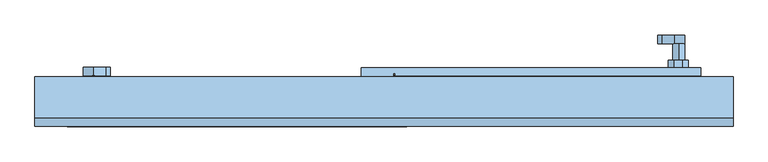
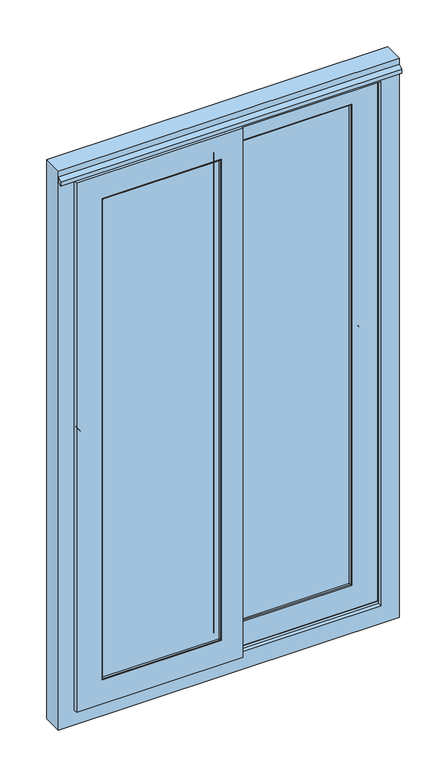
"""IFC4 building model written with IfcOpenShell, lengths in millimetres: window geometry."""

from ifc_helpers import new_model, si_unit, point, frame, frame_2d, origin, place, context, project, spatial, polyline, circle_curve, ellipse_curve, trimmed, segment, composite_curve, outline, extrude, faceted_brep, source, transform, mapped, element, save
from ifc_brep_helpers import plane_surface, cylinder_surface, advanced_brep


def window_b4aafb1f(model_context):
    return source(origin(), model_context, "Body", "SolidModel", [
        extrude(outline(composite_curve([segment(trimmed(circle_curve(frame_2d((1720.5590638, -483.1689366)), 8.1203216), [point((1720.5590638, -491.2892583))], [point((1712.4387422, -483.1689366))], False, "CARTESIAN"), True, "CONTINUOUS"), segment(polyline([(1712.4387422, -483.1689366), (1712.4387422, -478.7980888)]), True, "CONTINUOUS"), segment(trimmed(circle_curve(frame_2d((1720.5590638, -478.7980888)), 8.1203216), [point((1712.4387422, -478.7980888))], [point((1720.5590638, -470.6777671))], False, "CARTESIAN"), True, "CONTINUOUS"), segment(polyline([(1720.5590638, -470.6777671), (1816.0601001, -470.6777671)]), True, "CONTINUOUS"), segment(trimmed(circle_curve(frame_2d((1816.0601001, -494.6777671)), 24.0), [point((1816.0601001, -470.6777671))], [point((1833.8176817, -478.5325419))], False, "CARTESIAN"), True, "CONTINUOUS"), segment(polyline([(1833.8176817, -478.5325419), (1852.8118762, -499.4236075)]), True, "CONTINUOUS"), segment(trimmed(circle_curve(frame_2d((1845.186663, -506.3564651)), 10.3057456), [point((1852.8118762, -499.4236075))], [point((1837.5614497, -513.2893228))], False, "CARTESIAN"), True, "CONTINUOUS"), segment(polyline([(1837.5614497, -513.2893228), (1821.1297391, -495.2166457)]), True, "CONTINUOUS"), segment(trimmed(circle_curve(frame_2d((1812.2509483, -503.2892583)), 12.0), [point((1821.1297391, -495.2166457))], [point((1812.2509483, -491.2892583))], True, "CARTESIAN"), True, "CONTINUOUS"), segment(polyline([(1812.2509483, -491.2892583), (1720.5590638, -491.2892583)]), True, "CONTINUOUS")], self_intersect=False)), frame((0.0, 176.7498063, 0.0), z_axis=(0.0, 1.0, 0.0), x_axis=(0.0, 0.0, 1.0)), (0.0, 0.0, 1.0), 15.0),
        extrude(outline(composite_curve([segment(trimmed(circle_curve(frame_2d((1845.186663, -505.3441861)), 10.3057456), [point((1855.4924085, -505.3441861))], [point((1834.8809174, -505.3441861))], False, "CARTESIAN"), True, "CONTINUOUS"), segment(trimmed(circle_curve(frame_2d((1845.186663, -505.3441861)), 10.3057456), [point((1834.8809174, -505.3441861))], [point((1855.4924085, -505.3441861))], False, "CARTESIAN"), True, "CONTINUOUS")], self_intersect=False)), frame((0.0, 148.9998063, 0.0), z_axis=(0.0, 1.0, 0.0), x_axis=(0.0, 0.0, 1.0)), (0.0, 0.0, 1.0), 27.75),
        extrude(outline(composite_curve([segment(polyline([(1890.7749123, -522.8503256), (1791.0357249, -522.8503256)]), True, "CONTINUOUS"), segment(trimmed(circle_curve(frame_2d((1791.0357249, -511.6848834)), 11.1654422), [point((1791.0357249, -522.8503256))], [point((1779.9543445, -513.0524027))], False, "CARTESIAN"), True, "CONTINUOUS"), segment(trimmed(circle_curve(frame_2d((1838.3181202, -505.8499075)), 58.8065154), [point((1779.9543445, -513.0524027))], [point((1779.9542171, -498.6484446))], False, "CARTESIAN"), True, "CONTINUOUS"), segment(trimmed(circle_curve(frame_2d((1791.0356217, -500.0157679)), 11.1654422), [point((1779.9542171, -498.6484446))], [point((1791.0356217, -488.8503256))], False, "CARTESIAN"), True, "CONTINUOUS"), segment(polyline([(1791.0356217, -488.8503256), (1890.7748036, -488.8503256)]), True, "CONTINUOUS"), segment(trimmed(circle_curve(frame_2d((1890.7748036, -500.0157679)), 11.1654422), [point((1890.7748036, -488.8503256))], [point((1901.8561833, -498.6482428))], False, "CARTESIAN"), True, "CONTINUOUS"), segment(trimmed(circle_curve(frame_2d((1843.4924309, -505.8507662)), 58.8064957), [point((1901.8561833, -498.6482428))], [point((1901.8563175, -513.052202))], False, "CARTESIAN"), True, "CONTINUOUS"), segment(trimmed(circle_curve(frame_2d((1890.7749123, -511.6848834)), 11.1654422), [point((1901.8563175, -513.052202))], [point((1890.7749123, -522.8503256))], False, "CARTESIAN"), True, "CONTINUOUS")], self_intersect=False)), frame((0.0, 135.4998063, 0.0), z_axis=(0.0, 1.0, 0.0), x_axis=(0.0, 0.0, 1.0)), (0.0, 0.0, 1.0), 13.5),
        extrude(outline(composite_curve([segment(polyline([(1725.2837421, -474.9036109), (1736.903582, -474.9036109), (1736.903582, -486.9960678), (1724.9206616, -486.9960678), (1724.9206616, -480.5040328), (1730.071547, -480.5040328), (1725.0457321, -475.4782179)]), True, "CONTINUOUS"), segment(trimmed(circle_curve(frame_2d((1725.2837421, -475.2402079)), 0.336597), [point((1725.0457321, -475.4782179))], [point((1725.2837421, -474.9036109))], False, "CARTESIAN"), True, "CONTINUOUS")], self_intersect=False)), frame((0.0, 191.2498063, 0.0), z_axis=(0.0, 1.0, 0.0), x_axis=(0.0, 0.0, 1.0)), (0.0, 0.0, 1.0), 0.8),
        extrude(outline(composite_curve([segment(trimmed(circle_curve(frame_2d((1845.186663, 506.3564651)), 10.3057456), [point((1855.4924085, 506.3564651))], [point((1834.8809174, 506.3564651))], False, "CARTESIAN"), True, "CONTINUOUS"), segment(trimmed(circle_curve(frame_2d((1845.186663, 506.3564651)), 10.3057456), [point((1834.8809174, 506.3564651))], [point((1855.4924085, 506.3564651))], False, "CARTESIAN"), True, "CONTINUOUS")], self_intersect=False)), frame((0.0, 203.9998063, 0.0), z_axis=(0.0, 1.0, 0.0), x_axis=(0.0, 0.0, 1.0)), (0.0, 0.0, 1.0), 27.75),
        extrude(outline(composite_curve([segment(polyline([(1720.5590638, 491.2892583), (1812.2509483, 491.2892583)]), True, "CONTINUOUS"), segment(trimmed(circle_curve(frame_2d((1812.2509483, 503.2892583)), 12.0), [point((1812.2509483, 491.2892583))], [point((1821.1297391, 495.2166457))], True, "CARTESIAN"), True, "CONTINUOUS"), segment(polyline([(1821.1297391, 495.2166457), (1837.5614497, 513.2893228)]), True, "CONTINUOUS"), segment(trimmed(circle_curve(frame_2d((1845.186663, 506.3564651)), 10.3057456), [point((1837.5614497, 513.2893228))], [point((1852.8118762, 499.4236075))], False, "CARTESIAN"), True, "CONTINUOUS"), segment(polyline([(1852.8118762, 499.4236075), (1833.8176817, 478.5325419)]), True, "CONTINUOUS"), segment(trimmed(circle_curve(frame_2d((1816.0601001, 494.6777671)), 24.0), [point((1833.8176817, 478.5325419))], [point((1816.0601001, 470.6777671))], False, "CARTESIAN"), True, "CONTINUOUS"), segment(polyline([(1816.0601001, 470.6777671), (1720.5590638, 470.6777671)]), True, "CONTINUOUS"), segment(trimmed(circle_curve(frame_2d((1720.5590638, 478.7980888)), 8.1203216), [point((1720.5590638, 470.6777671))], [point((1712.4387422, 478.7980888))], False, "CARTESIAN"), True, "CONTINUOUS"), segment(polyline([(1712.4387422, 478.7980888), (1712.4387422, 483.1689366)]), True, "CONTINUOUS"), segment(trimmed(circle_curve(frame_2d((1720.5590638, 483.1689366)), 8.1203216), [point((1712.4387422, 483.1689366))], [point((1720.5590638, 491.2892583))], False, "CARTESIAN"), True, "CONTINUOUS")], self_intersect=False)), frame((0.0, 231.7498063, 0.0), z_axis=(0.0, 1.0, 0.0), x_axis=(0.0, 0.0, 1.0)), (0.0, 0.0, 1.0), 15.0),
        extrude(outline(composite_curve([segment(polyline([(1890.7749123, 488.8503256), (1791.0357249, 488.8503256)]), True, "CONTINUOUS"), segment(trimmed(circle_curve(frame_2d((1791.0357249, 500.0157679)), 11.1654422), [point((1791.0357249, 488.8503256))], [point((1779.9543445, 498.6482486))], False, "CARTESIAN"), True, "CONTINUOUS"), segment(trimmed(circle_curve(frame_2d((1838.3181202, 505.8507438)), 58.8065154), [point((1779.9543445, 498.6482486))], [point((1779.9542171, 513.0522067))], False, "CARTESIAN"), True, "CONTINUOUS"), segment(trimmed(circle_curve(frame_2d((1791.0356217, 511.6848834)), 11.1654422), [point((1779.9542171, 513.0522067))], [point((1791.0356217, 522.8503256))], False, "CARTESIAN"), True, "CONTINUOUS"), segment(polyline([(1791.0356217, 522.8503256), (1890.7748036, 522.8503256)]), True, "CONTINUOUS"), segment(trimmed(circle_curve(frame_2d((1890.7748036, 511.6848834)), 11.1654422), [point((1890.7748036, 522.8503256))], [point((1901.8561833, 513.0524085))], False, "CARTESIAN"), True, "CONTINUOUS"), segment(trimmed(circle_curve(frame_2d((1843.4924309, 505.8498851)), 58.8064957), [point((1901.8561833, 513.0524085))], [point((1901.8563175, 498.6484493))], False, "CARTESIAN"), True, "CONTINUOUS"), segment(trimmed(circle_curve(frame_2d((1890.7749123, 500.0157679)), 11.1654422), [point((1901.8563175, 498.6484493))], [point((1890.7749123, 488.8503256))], False, "CARTESIAN"), True, "CONTINUOUS")], self_intersect=False)), frame((0.0, 190.4998063, 0.0), z_axis=(0.0, 1.0, 0.0), x_axis=(0.0, 0.0, 1.0)), (0.0, 0.0, 1.0), 13.5),
        extrude(outline(composite_curve([segment(polyline([(1725.2837421, 486.9960678), (1736.903582, 486.9960678), (1736.903582, 474.9036109), (1724.9206616, 474.9036109), (1724.9206616, 481.3956459), (1730.071547, 481.3956459), (1725.0457321, 486.4214608)]), True, "CONTINUOUS"), segment(trimmed(circle_curve(frame_2d((1725.2837421, 486.6594708)), 0.336597), [point((1725.0457321, 486.4214608))], [point((1725.2837421, 486.9960678))], False, "CARTESIAN"), True, "CONTINUOUS")], self_intersect=False)), frame((0.0, 246.2498063, 0.0), z_axis=(0.0, 1.0, 0.0), x_axis=(0.0, 0.0, 1.0)), (0.0, 0.0, 1.0), 0.8),
        advanced_brep(
        [(19.1010245, 158.0001937, 856.0000985), (19.1010245, 151.4978698, 856.0000985), (19.1010245, 151.4978698, 926.0000985), (19.1010245, 181.4998063, 926.0000985), (19.1010245, 181.4978698, 856.0000985), (19.1010245, 177.0001937, 856.0000985), (19.1010245, 177.0001937, 890.7523289), (19.1010245, 158.0001937, 890.7523289), (19.1010245, 158.0001937, 2823.9999015), (543.9999015, 158.0001937, 2823.9999015), (543.9999015, 158.0001937, 856.0000985), (509.2476711, 158.0001937, 890.7523289), (509.2476711, 158.0001937, 2789.2476711), (19.1010245, 158.0001937, 2789.2476711), (509.2476711, 177.0001937, 890.7523289), (19.1010245, 177.0001937, 2789.2476711), (509.2476711, 177.0001937, 2789.2476711), (543.9999015, 177.0001937, 856.0000985), (543.9999015, 177.0001937, 2823.9999015), (19.1010245, 177.0001937, 2823.9999015), (543.9999015, 190.4998063, 856.0000985), (16.1010245, 181.4978698, 856.0000985), (16.1010245, 151.4978698, 856.0000985), (543.9999015, 144.4998063, 856.0000985), (-2.1146471, 144.4998063, 856.0000985), (-2.1146471, 137.4998063, 856.0000985), (-8.61807, 137.4998063, 856.0000985), (-11.6381787, 141.0990318, 856.0000985), (-39.1010245, 141.0990318, 856.0000985), (-39.1010245, 190.4998063, 856.0000985), (19.1010245, 181.4998063, 2753.9999015), (19.1010245, 181.4998063, 2823.9999015), (16.1010245, 181.4998063, 2823.9999015), (473.9999015, 181.4998063, 926.0000985), (473.9999015, 181.4998063, 2753.9999015), (470.9999015, 181.4998063, 2750.9999015), (470.9999015, 181.4998063, 929.0000985), (19.1010245, 181.4998063, 929.0000985), (19.1010245, 181.4998063, 2750.9999015), (473.9999015, 151.4998063, 926.0000985), (19.1010245, 151.4998063, 2753.9999015), (473.9999015, 151.4998063, 2753.9999015), (16.1010245, 151.4998063, 2823.9999015), (19.1010245, 151.4998063, 2823.9999015), (450.9999015, 151.4998063, 2730.9999015), (39.101481, 151.4998063, 2730.9999015), (39.101481, 151.4998063, 949.0000985), (450.9999015, 151.4998063, 949.0000985), (452.1052009, 146.8114198, 947.8947991), (452.1052009, 146.8114198, 2732.1052009), (37.9961816, 146.8114198, 947.8947991), (37.9961816, 146.8114198, 2732.1052009), (19.1010245, 190.4998063, 2750.9999015), (19.1010245, 190.4998063, 929.0000985), (470.9999015, 190.4998063, 929.0000985), (470.9999015, 190.4998063, 2750.9999015), (-39.1010245, 190.4998063, 2823.9999015), (543.9999015, 190.4998063, 2823.9999015), (-39.1010245, 141.0990318, 2823.9999015), (543.9999015, 144.4998063, 2823.9999015), (-2.1146471, 144.4998063, 2823.9999015), (455.0251536, 144.4998063, 2735.0251536), (455.0251536, 144.4998063, 944.9748464), (35.0762288, 144.4998063, 944.9748464), (35.0762288, 144.4998063, 2735.0251536), (-2.1146471, 137.4998063, 2823.9999015), (-11.6381787, 141.0990318, 2823.9999015), (-8.61807, 137.4998063, 2823.9999015)],
        [
            (0, 1),
            (1, 2),
            (2, 3),
            (3, 4),
            (4, 5),
            (5, 6),
            (6, 7),
            (7, 0),
            (8, 9),
            (9, 10),
            (10, 0),
            (7, 11),
            (11, 12),
            (12, 13),
            (13, 8),
            (6, 14),
            (14, 11),
            (15, 16),
            (16, 14),
            (5, 17),
            (17, 18),
            (18, 19),
            (19, 15),
            (20, 17),
            (4, 21),
            (21, 22),
            (22, 1),
            (10, 23),
            (23, 24),
            (24, 25),
            (25, 26),
            (26, 27),
            (27, 28),
            (28, 29),
            (29, 20),
            (30, 31),
            (31, 32),
            (32, 21),
            (3, 33),
            (33, 34),
            (34, 30),
            (35, 36),
            (36, 37),
            (37, 38),
            (38, 35),
            (39, 33),
            (2, 39),
            (40, 41),
            (41, 39),
            (22, 42),
            (42, 43),
            (43, 40),
            (44, 45),
            (45, 46),
            (46, 47),
            (47, 44),
            (47, 48),
            (48, 49),
            (49, 44),
            (46, 50),
            (50, 48),
            (45, 51),
            (51, 50),
            (32, 42),
            (41, 34),
            (52, 38),
            (37, 53),
            (53, 52),
            (36, 54),
            (54, 53),
            (35, 55),
            (55, 54),
            (56, 57),
            (57, 20),
            (29, 56),
            (55, 52),
            (28, 58),
            (58, 56),
            (57, 18),
            (16, 12),
            (9, 59),
            (59, 23),
            (60, 24),
            (59, 60),
            (61, 62),
            (62, 63),
            (63, 64),
            (64, 61),
            (65, 25),
            (60, 65),
            (51, 64, ellipse_curve(frame((35.0762288, 147.4998063, 2735.0251536), z_axis=(-0.7071067811865475, 0.0, -0.7071067811865475), x_axis=(-0.7071067811865474, 0.0, 0.7071067811865476)), 4.2426407, 3.0)),
            (63, 50, ellipse_curve(frame((35.0762288, 147.4998063, 944.9748464), z_axis=(-0.7071067811865475, 0.0, 0.7071067811865475), x_axis=(0.7071067811865474, 0.0, 0.7071067811865476)), 4.2426407, 3.0)),
            (62, 48, ellipse_curve(frame((455.0251536, 147.4998063, 944.9748464), z_axis=(-0.7071067811865475, 0.0, -0.7071067811865475), x_axis=(0.7071067811865476, 0.0, -0.7071067811865474)), 4.2426407, 3.0)),
            (61, 49, ellipse_curve(frame((455.0251536, 147.4998063, 2735.0251536), z_axis=(0.7071067811865475, 0.0, -0.7071067811865475), x_axis=(0.7071067811865474, 0.0, 0.7071067811865476)), 4.2426407, 3.0)),
            (27, 66),
            (66, 58),
            (26, 67),
            (67, 66),
            (65, 67),
            (43, 8),
            (13, 15),
            (19, 31),
            (30, 40),
            (49, 51),
        ],
        [
            plane_surface(frame((19.1010245, 105.0, 800.0), z_axis=(-1.0, 0.0, 0.0), x_axis=(0.0, -1.0, 0.0))),
            plane_surface(frame((19.1010245, 158.0001937, 2789.2476711), z_axis=(0.0, 1.0, 0.0), x_axis=(1.0, 0.0, 0.0))),
            plane_surface(frame((509.2476711, 177.0001937, 890.7523289), z_axis=(0.0, 0.0, -1.0), x_axis=(-1.0, 0.0, 0.0))),
            plane_surface(frame((19.1010245, 177.0001937, 2823.9999015), z_axis=(0.0, -1.0, 0.0), x_axis=(1.0, 0.0, 0.0))),
            plane_surface(frame((543.9999015, 190.4998063, 856.0000985), z_axis=(0.0, 0.0, -1.0), x_axis=(-1.0, 0.0, 0.0))),
            plane_surface(frame((19.1010245, 181.4998063, 2753.9999015), z_axis=(0.0, -1.0, 0.0), x_axis=(1.0, 0.0, 0.0))),
            plane_surface(frame((473.9999015, 151.4998063, 926.0000985), z_axis=(0.0, 0.0, 1.0), x_axis=(-1.0, 0.0, 0.0))),
            plane_surface(frame((19.1010245, 151.4998063, 2730.9999015), z_axis=(0.0, 1.0, 0.0), x_axis=(1.0, 0.0, 0.0))),
            plane_surface(frame((452.1052009, 146.8114198, 2732.1052009), z_axis=(-0.9733175797962543, -0.2294621730472412, 0.0), x_axis=(0.0, 0.0, -1.0))),
            plane_surface(frame((452.1052009, 146.8114198, 947.8947991), z_axis=(0.0, -0.22946217304723807, 0.9733175797962551), x_axis=(-1.0, 0.0, 0.0))),
            plane_surface(frame((39.1010245, 151.4978698, 2823.9999015), z_axis=(0.9733175797962278, -0.22946217304735375, 0.0), x_axis=(0.0, 0.0, -1.0))),
            plane_surface(frame((16.1010245, 181.4978698, 2823.9999015), z_axis=(1.0, 0.0, 0.0), x_axis=(0.0, 0.0, -1.0))),
            plane_surface(frame((473.9999015, 151.4998063, 2753.9999015), z_axis=(-1.0, 0.0, 0.0), x_axis=(0.0, 0.0, -1.0))),
            plane_surface(frame((19.1010245, 190.4998063, 2823.9999015), z_axis=(1.0, 0.0, 0.0), x_axis=(0.0, 0.0, -1.0))),
            plane_surface(frame((470.9999015, 181.4998063, 929.0000985), z_axis=(0.0, 0.0, 1.0), x_axis=(-1.0, 0.0, 0.0))),
            plane_surface(frame((470.9999015, 181.4998063, 2750.9999015), z_axis=(-1.0, 0.0, 0.0), x_axis=(0.0, 0.0, -1.0))),
            plane_surface(frame((19.1010245, 190.4998063, 2750.9999015), z_axis=(0.0, 1.0, 0.0), x_axis=(1.0, 0.0, 0.0))),
            plane_surface(frame((-39.1010245, 141.0990318, 2823.9999015), z_axis=(-1.0, 0.0, 0.0), x_axis=(0.0, 0.0, -1.0))),
            plane_surface(frame((543.9999015, 190.4998063, 2823.9999015), z_axis=(1.0, 0.0, 0.0), x_axis=(0.0, 0.0, -1.0))),
            plane_surface(frame((509.2476711, 177.0001937, 2789.2476711), z_axis=(1.0, 0.0, 0.0), x_axis=(0.0, 0.0, -1.0))),
            plane_surface(frame((543.9999015, 158.0001937, 2823.9999015), z_axis=(1.0, 0.0, 0.0), x_axis=(0.0, 0.0, -1.0))),
            plane_surface(frame((19.1010245, 144.4998063, 2823.9999015), z_axis=(0.0, -1.0, 0.0), x_axis=(1.0, 0.0, 0.0))),
            plane_surface(frame((-2.1146471, 144.4998063, 2823.9999015), z_axis=(1.0, 0.0, 0.0), x_axis=(0.0, 0.0, -1.0))),
            cylinder_surface(frame((35.0762288, 147.4998063, 2823.9999015), z_axis=(0.0, 0.0, 1.0), x_axis=(0.0, -1.0, 0.0)), 3.0),
            cylinder_surface(frame((600.0, 147.4998063, 944.9748464), z_axis=(1.0, 0.0, 0.0), x_axis=(0.0, -1.0, 0.0)), 3.0),
            cylinder_surface(frame((455.0251536, 147.4998063, 2880.0), z_axis=(0.0, 0.0, 1.0), x_axis=(0.0, -1.0, 0.0)), 3.0),
            plane_surface(frame((-11.6381787, 141.0990318, 2823.9999015), z_axis=(0.0, -1.0, 0.0), x_axis=(0.0, 0.0, -1.0))),
            plane_surface(frame((-8.61807, 137.4998063, 2823.9999015), z_axis=(-0.7660444431189933, -0.6427876096865212, 0.0), x_axis=(0.0, 0.0, -1.0))),
            plane_surface(frame((-2.1146471, 137.4998063, 2823.9999015), z_axis=(0.0, -1.0, 0.0), x_axis=(0.0, 0.0, -1.0))),
            plane_surface(frame((19.1010245, 105.0, 2880.0), z_axis=(-1.0, 0.0, 0.0), x_axis=(0.0, -1.0, 0.0))),
            plane_surface(frame((19.1010245, 151.4998063, 2753.9999015), z_axis=(0.0, 0.0, -1.0), x_axis=(1.0, 0.0, 0.0))),
            plane_surface(frame((19.1010245, 181.4998063, 2750.9999015), z_axis=(0.0, 0.0, -1.0), x_axis=(1.0, 0.0, 0.0))),
            plane_surface(frame((19.1010245, 190.4998063, 2823.9999015), z_axis=(0.0, 0.0, 1.0), x_axis=(1.0, 0.0, 0.0))),
            plane_surface(frame((19.1010245, 177.0001937, 2789.2476711), z_axis=(0.0, 0.0, 1.0), x_axis=(1.0, 0.0, 0.0))),
            plane_surface(frame((19.1010245, 146.8114198, 2732.1052009), z_axis=(0.0, -0.22946217304723807, -0.9733175797962551), x_axis=(1.0, 0.0, 0.0))),
            cylinder_surface(frame((19.1010245, 147.4998063, 2735.0251536), z_axis=(-1.0, 0.0, 0.0), x_axis=(0.0, -1.0, 0.0)), 3.0),
        ],
        [
            (0, [[1, 2, 3, 4, 5, 6, 7, 8]]),
            (1, [[9, 10, 11, -8, 12, 13, 14, 15]]),
            (2, [[16, 17, -12, -7]]),
            (3, [[18, 19, -16, -6, 20, 21, 22, 23]]),
            (4, [[24, -20, -5, 25, 26, 27, -1, -11, 28, 29, 30, 31, 32, 33, 34, 35]]),
            (5, [[36, 37, 38, -25, -4, 39, 40, 41], [42, 43, 44, 45]]),
            (6, [[46, -39, -3, 47]]),
            (7, [[48, 49, -47, -2, -27, 50, 51, 52], [53, 54, 55, 56]]),
            (8, [[57, 58, 59, -56]]),
            (9, [[-55, 60, 61, -57]]),
            (10, [[62, 63, -60, -54]]),
            (11, [[-50, -26, -38, 64]]),
            (12, [[65, -40, -46, -49]]),
            (13, [[66, -44, 67, 68]]),
            (14, [[69, 70, -67, -43]]),
            (15, [[71, 72, -69, -42]]),
            (16, [[73, 74, -35, 75], [-68, -70, -72, 76]]),
            (17, [[-75, -34, 77, 78]]),
            (18, [[79, -21, -24, -74]]),
            (19, [[80, -13, -17, -19]]),
            (20, [[81, 82, -28, -10]]),
            (21, [[83, -29, -82, 84], [85, 86, 87, 88]]),
            (22, [[89, -30, -83, 90]]),
            (23, [[91, -87, 92, -63]]),
            (24, [[-61, -92, -86, 93]]),
            (25, [[94, -58, -93, -85]]),
            (26, [[-77, -33, 95, 96]]),
            (27, [[-95, -32, 97, 98]]),
            (28, [[-97, -31, -89, 99]]),
            (29, [[-52, 100, -15, 101, -23, 102, -36, 103]]),
            (30, [[-41, -65, -48, -103]]),
            (31, [[-66, -76, -71, -45]]),
            (32, [[-78, -96, -98, -99, -90, -84, -81, -9, -100, -51, -64, -37, -102, -22, -79, -73]]),
            (33, [[-14, -80, -18, -101]]),
            (34, [[104, -62, -53, -59]]),
            (35, [[-88, -91, -104, -94]]),
        ],
    ),
        advanced_brep(
        [(-19.1010245, 96.4998063, 926.0000985), (-19.1010245, 96.4998063, 856.0000985), (-19.1010245, 103.0001937, 856.0000985), (-19.1010245, 103.0001937, 890.7523289), (-19.1010245, 122.0001937, 890.7523289), (-19.1010245, 122.0001937, 856.0000985), (-19.1010245, 126.4998063, 856.0000985), (-19.1010245, 126.4998063, 926.0000985), (-473.9999015, 126.4998063, 926.0000985), (-473.9999015, 96.4998063, 926.0000985), (-16.1010245, 126.4998063, 856.0000985), (-16.1010245, 126.4998063, 2823.9999015), (-19.1010245, 126.4998063, 2823.9999015), (-19.1010245, 126.4998063, 2753.9999015), (-473.9999015, 126.4998063, 2753.9999015), (-470.9999015, 126.4998063, 929.0000985), (-470.9999015, 126.4998063, 2750.9999015), (-19.1010245, 126.4998063, 2750.9999015), (-19.1010245, 126.4998063, 929.0000985), (2.1146471, 135.4998063, 856.0000985), (2.1146471, 142.4998063, 856.0000985), (8.61807, 142.4998063, 856.0000985), (11.6381787, 138.9005809, 856.0000985), (39.1010245, 138.9005809, 856.0000985), (39.1010245, 89.4998063, 856.0000985), (-543.9999015, 89.4998063, 856.0000985), (-543.9999015, 103.0001937, 856.0000985), (-16.1010245, 96.4998063, 856.0000985), (-543.9999015, 122.0001937, 856.0000985), (-543.9999015, 135.4998063, 856.0000985), (-509.2476711, 122.0001937, 890.7523289), (-509.2476711, 122.0001937, 2789.2476711), (-19.1010245, 122.0001937, 2789.2476711), (-19.1010245, 122.0001937, 2823.9999015), (-543.9999015, 122.0001937, 2823.9999015), (-509.2476711, 103.0001937, 890.7523289), (-543.9999015, 103.0001937, 2823.9999015), (-19.1010245, 103.0001937, 2823.9999015), (-19.1010245, 103.0001937, 2789.2476711), (-509.2476711, 103.0001937, 2789.2476711), (-473.9999015, 96.4998063, 2753.9999015), (-19.1010245, 96.4998063, 2753.9999015), (-19.1010245, 96.4998063, 2823.9999015), (-16.1010245, 96.4998063, 2823.9999015), (-450.9999015, 96.4998063, 949.0000985), (-39.1010245, 96.4998063, 949.0000985), (-39.1010245, 96.4998063, 2730.9999015), (-450.9999015, 96.4998063, 2730.9999015), (-452.1040493, 91.8163045, 2732.1040493), (-452.1040493, 91.8163045, 947.8959507), (-37.9968766, 91.8163045, 947.8959507), (-37.9968766, 91.8163045, 2732.1040493), (-19.1010245, 135.4998063, 929.0000985), (-470.9999015, 135.4998063, 929.0000985), (-19.1010245, 135.4998063, 2750.9999015), (-470.9999015, 135.4998063, 2750.9999015), (-543.9999015, 135.4998063, 2823.9999015), (2.1146471, 135.4998063, 2823.9999015), (2.1146471, 142.4998063, 2823.9999015), (-543.9999015, 89.4998063, 2823.9999015), (39.1010245, 89.4998063, 2823.9999015), (-455.0301722, 89.4998063, 944.9698278), (-455.0301722, 89.4998063, 2735.0301722), (-35.0707537, 89.4998063, 2735.0301722), (-35.0707537, 89.4998063, 944.9698278), (39.1010245, 138.9005809, 2823.9999015), (11.6381787, 138.9005809, 2823.9999015), (8.61807, 142.4998063, 2823.9999015)],
        [
            (0, 1),
            (1, 2),
            (2, 3),
            (3, 4),
            (4, 5),
            (5, 6),
            (6, 7),
            (7, 0),
            (7, 8),
            (8, 9),
            (9, 0),
            (6, 10),
            (10, 11),
            (11, 12),
            (12, 13),
            (13, 14),
            (14, 8),
            (15, 16),
            (16, 17),
            (17, 18),
            (18, 15),
            (19, 20),
            (20, 21),
            (21, 22),
            (22, 23),
            (23, 24),
            (24, 25),
            (25, 26),
            (26, 2),
            (1, 27),
            (27, 10),
            (5, 28),
            (28, 29),
            (29, 19),
            (4, 30),
            (30, 31),
            (31, 32),
            (32, 33),
            (33, 34),
            (34, 28),
            (3, 35),
            (35, 30),
            (26, 36),
            (36, 37),
            (37, 38),
            (38, 39),
            (39, 35),
            (9, 40),
            (40, 41),
            (41, 42),
            (42, 43),
            (43, 27),
            (44, 45),
            (45, 46),
            (46, 47),
            (47, 44),
            (47, 48),
            (48, 49),
            (49, 44),
            (45, 50),
            (50, 51),
            (51, 46),
            (49, 50),
            (43, 11),
            (14, 40),
            (18, 52),
            (52, 53),
            (53, 15),
            (17, 54),
            (54, 52),
            (53, 55),
            (55, 16),
            (29, 56),
            (56, 57),
            (57, 19),
            (54, 55),
            (57, 58),
            (58, 20),
            (34, 56),
            (25, 59),
            (59, 36),
            (24, 60),
            (60, 59),
            (61, 62),
            (62, 63),
            (63, 64),
            (64, 61),
            (23, 65),
            (65, 60),
            (22, 66),
            (66, 65),
            (21, 67),
            (67, 66),
            (58, 67),
            (39, 31),
            (64, 50, ellipse_curve(frame((-35.0707537, 92.5061456, 944.9698278), z_axis=(-0.7071067811865475, 0.0, -0.7071067811865475), x_axis=(0.7071067811865476, 0.0, -0.7071067811865474)), 4.2516058, 3.0063393)),
            (49, 61, ellipse_curve(frame((-455.0301722, 92.5061456, 944.9698278), z_axis=(0.7071067811865475, 0.0, -0.7071067811865475), x_axis=(0.7071067811865476, 0.0, 0.7071067811865474)), 4.2516058, 3.0063393)),
            (63, 51, ellipse_curve(frame((-35.0707537, 92.5061456, 2735.0301722), z_axis=(0.7071067811865475, 0.0, -0.7071067811865475), x_axis=(-0.7071067811865474, 0.0, -0.7071067811865476)), 4.2516058, 3.0063393)),
            (48, 62, ellipse_curve(frame((-455.0301722, 92.5061456, 2735.0301722), z_axis=(-0.7071067811865475, 0.0, -0.7071067811865475), x_axis=(0.7071067811865474, 0.0, -0.7071067811865476)), 4.2516058, 3.0063393)),
            (37, 42),
            (41, 13),
            (12, 33),
            (32, 38),
            (51, 48),
        ],
        [
            plane_surface(frame((-19.1010245, 105.0, 800.0), z_axis=(1.0, 0.0, 0.0), x_axis=(0.0, -1.0, 0.0))),
            plane_surface(frame((-19.1010245, 96.4998063, 926.0000985), z_axis=(0.0, 0.0, 1.0), x_axis=(-1.0, 0.0, 0.0))),
            plane_surface(frame((-19.1010245, 126.4998063, 926.0000985), z_axis=(0.0, -1.0, 0.0), x_axis=(-1.0, 0.0, 0.0))),
            plane_surface(frame((-19.1010245, 135.4998063, 856.0000985), z_axis=(0.0, 0.0, -1.0), x_axis=(-1.0, 0.0, 0.0))),
            plane_surface(frame((-19.1010245, 122.0001937, 856.0000985), z_axis=(0.0, -1.0, 0.0), x_axis=(-1.0, 0.0, 0.0))),
            plane_surface(frame((-19.1010245, 122.0001937, 890.7523289), z_axis=(0.0, 0.0, -1.0), x_axis=(-1.0, 0.0, 0.0))),
            plane_surface(frame((-19.1010245, 103.0001937, 890.7523289), z_axis=(0.0, 1.0, 0.0), x_axis=(-1.0, 0.0, 0.0))),
            plane_surface(frame((-19.1010245, 96.4998063, 949.0000985), z_axis=(0.0, 1.0, 0.0), x_axis=(-1.0, 0.0, 0.0))),
            plane_surface(frame((-452.1040493, 91.8163045, 947.8959507), z_axis=(0.9733175797962553, -0.22946217304723712, 0.0), x_axis=(0.0, 0.0, 1.0))),
            plane_surface(frame((-39.1010245, 96.4998063, 856.0000985), z_axis=(-0.9733175797962387, -0.22946217304730768, 0.0), x_axis=(0.0, 0.0, 1.0))),
            plane_surface(frame((-19.1010245, 91.8163045, 947.8959507), z_axis=(0.0, -0.22946217304724026, 0.9733175797962546), x_axis=(-1.0, 0.0, 0.0))),
            plane_surface(frame((-16.1010245, 126.4998063, 856.0000985), z_axis=(-1.0, 0.0, 0.0), x_axis=(0.0, 0.0, 1.0))),
            plane_surface(frame((-473.9999015, 96.4998063, 926.0000985), z_axis=(1.0, 0.0, 0.0), x_axis=(0.0, 0.0, 1.0))),
            plane_surface(frame((-19.1010245, 126.4998063, 929.0000985), z_axis=(0.0, 0.0, 1.0), x_axis=(-1.0, 0.0, 0.0))),
            plane_surface(frame((-19.1010245, 135.4998063, 856.0000985), z_axis=(-1.0, 0.0, 0.0), x_axis=(0.0, 0.0, 1.0))),
            plane_surface(frame((-470.9999015, 126.4998063, 929.0000985), z_axis=(1.0, 0.0, 0.0), x_axis=(0.0, 0.0, 1.0))),
            plane_surface(frame((-19.1010245, 135.4998063, 929.0000985), z_axis=(0.0, 1.0, 0.0), x_axis=(-1.0, 0.0, 0.0))),
            plane_surface(frame((2.1146471, 142.4998063, 856.0000985), z_axis=(-1.0, 0.0, 0.0), x_axis=(0.0, 0.0, 1.0))),
            plane_surface(frame((-543.9999015, 135.4998063, 856.0000985), z_axis=(-1.0, 0.0, 0.0), x_axis=(0.0, 0.0, 1.0))),
            plane_surface(frame((-543.9999015, 103.0001937, 856.0000985), z_axis=(-1.0, 0.0, 0.0), x_axis=(0.0, 0.0, 1.0))),
            plane_surface(frame((-19.1010245, 89.4998063, 856.0000985), z_axis=(0.0, -1.0, 0.0), x_axis=(-1.0, 0.0, 0.0))),
            plane_surface(frame((39.1010245, 89.4998063, 856.0000985), z_axis=(1.0, 0.0, 0.0), x_axis=(0.0, 0.0, 1.0))),
            plane_surface(frame((39.1010245, 138.9005809, 856.0000985), z_axis=(0.0, 1.0, 0.0), x_axis=(0.0, 0.0, 1.0))),
            plane_surface(frame((11.6381787, 138.9005809, 856.0000985), z_axis=(0.766044443118989, 0.6427876096865264, 0.0), x_axis=(0.0, 0.0, 1.0))),
            plane_surface(frame((8.61807, 142.4998063, 856.0000985), z_axis=(0.0, 1.0, 0.0), x_axis=(0.0, 0.0, 1.0))),
            plane_surface(frame((-509.2476711, 122.0001937, 890.7523289), z_axis=(-1.0, 0.0, 0.0), x_axis=(0.0, 0.0, 1.0))),
            cylinder_surface(frame((-19.1010245, 92.5061456, 944.9698278), z_axis=(1.0, 0.0, 0.0), x_axis=(0.0, 0.0, 1.0)), 3.0063393),
            cylinder_surface(frame((-35.0707537, 92.5061456, 856.0000985), z_axis=(0.0, 0.0, -1.0), x_axis=(1.0, 0.0, 0.0)), 3.0063393),
            cylinder_surface(frame((-455.0301722, 92.5061456, 800.0), z_axis=(0.0, 0.0, -1.0), x_axis=(1.0, 0.0, 0.0)), 3.0063393),
            plane_surface(frame((-19.1010245, 105.0, 2880.0), z_axis=(1.0, 0.0, 0.0), x_axis=(0.0, -1.0, 0.0))),
            plane_surface(frame((-473.9999015, 96.4998063, 2753.9999015), z_axis=(0.0, 0.0, -1.0), x_axis=(1.0, 0.0, 0.0))),
            plane_surface(frame((-543.9999015, 135.4998063, 2823.9999015), z_axis=(0.0, 0.0, 1.0), x_axis=(1.0, 0.0, 0.0))),
            plane_surface(frame((-509.2476711, 122.0001937, 2789.2476711), z_axis=(0.0, 0.0, 1.0), x_axis=(1.0, 0.0, 0.0))),
            plane_surface(frame((-452.1040493, 91.8163045, 2732.1040493), z_axis=(0.0, -0.22946217304724026, -0.9733175797962546), x_axis=(1.0, 0.0, 0.0))),
            cylinder_surface(frame((-600.0, 92.5061456, 2735.0301722), z_axis=(-1.0, 0.0, 0.0), x_axis=(0.0, 0.0, -1.0)), 3.0063393),
            plane_surface(frame((-470.9999015, 126.4998063, 2750.9999015), z_axis=(0.0, 0.0, -1.0), x_axis=(1.0, 0.0, 0.0))),
        ],
        [
            (0, [[1, 2, 3, 4, 5, 6, 7, 8]]),
            (1, [[9, 10, 11, -8]]),
            (2, [[-7, 12, 13, 14, 15, 16, 17, -9], [18, 19, 20, 21]]),
            (3, [[22, 23, 24, 25, 26, 27, 28, 29, -2, 30, 31, -12, -6, 32, 33, 34]]),
            (4, [[35, 36, 37, 38, 39, 40, -32, -5]]),
            (5, [[41, 42, -35, -4]]),
            (6, [[-29, 43, 44, 45, 46, 47, -41, -3]]),
            (7, [[-11, 48, 49, 50, 51, 52, -30, -1], [53, 54, 55, 56]]),
            (8, [[57, 58, 59, -56]]),
            (9, [[60, 61, 62, -54]]),
            (10, [[63, -60, -53, -59]]),
            (11, [[-52, 64, -13, -31]]),
            (12, [[-10, -17, 65, -48]]),
            (13, [[66, 67, 68, -21]]),
            (14, [[-66, -20, 69, 70]]),
            (15, [[-68, 71, 72, -18]]),
            (16, [[-34, 73, 74, 75], [-70, 76, -71, -67]]),
            (17, [[-75, 77, 78, -22]]),
            (18, [[-33, -40, 79, -73]]),
            (19, [[-28, 80, 81, -43]]),
            (20, [[82, 83, -80, -27], [84, 85, 86, 87]]),
            (21, [[88, 89, -82, -26]]),
            (22, [[90, 91, -88, -25]]),
            (23, [[92, 93, -90, -24]]),
            (24, [[-78, 94, -92, -23]]),
            (25, [[-42, -47, 95, -36]]),
            (26, [[-87, 96, -63, 97]]),
            (27, [[-96, -86, 98, -61]]),
            (28, [[-97, -58, 99, -84]]),
            (29, [[100, -50, 101, -15, 102, -38, 103, -45]]),
            (30, [[-65, -16, -101, -49]]),
            (31, [[-79, -39, -102, -14, -64, -51, -100, -44, -81, -83, -89, -91, -93, -94, -77, -74]]),
            (32, [[-37, -95, -46, -103]]),
            (33, [[-55, -62, 104, -57]]),
            (34, [[-104, -98, -85, -99]]),
            (35, [[-72, -76, -69, -19]]),
        ],
    ),
        extrude(outline(polyline([(466.9999015, 154.9996236), (23.1010245, 154.9996236), (23.1010245, 158.9996236), (466.9999015, 158.9996236), (466.9999015, 154.9996236)])), frame((0.0, 0.0, 933.0000985), z_axis=(0.0, 0.0, 1.0), x_axis=(1.0, 0.0, 0.0)), (0.0, 0.0, 1.0), 1813.9998029),
        extrude(outline(polyline([(466.9999015, 178.9996236), (466.9999015, 172.9996236), (23.1010245, 172.9996236), (23.1010245, 178.9996236), (466.9999015, 178.9996236)])), frame((0.0, 0.0, 933.0000985), z_axis=(0.0, 0.0, 1.0), x_axis=(1.0, 0.0, 0.0)), (0.0, 0.0, 1.0), 1813.9998029),
        faceted_brep([(466.9999015, 178.9996236, 2746.9999015), (466.9999015, 178.9996236, 933.0000985), (466.9999015, 172.9996236, 933.0000985), (466.9999015, 172.9996236, 2746.9999015), (23.1, 172.9996236, 933.0000985), (23.1, 172.9996236, 2746.9999015), (454.9999015, 172.9996236, 945.0000985), (454.9999015, 172.9996236, 2734.9999015), (35.1, 172.9996236, 2734.9999015), (35.1, 172.9996236, 945.0000985), (23.1, 178.9996236, 933.0000985), (471.9499015, 178.9996236, 2751.9499015), (471.9499015, 178.9996236, 928.0500985), (18.15, 178.9996236, 928.0500985), (18.15, 178.9996236, 2751.9499015), (23.1, 178.9996236, 2746.9999015), (471.9499015, 154.9996236, 2751.9499015), (471.9499015, 154.9996236, 928.0500985), (18.15, 154.9996236, 928.0500985), (18.15, 154.9996236, 2751.9499015), (466.9999015, 154.9996236, 2746.9999015), (466.9999015, 154.9996236, 933.0000985), (23.1, 154.9996236, 933.0000985), (23.1, 154.9996236, 2746.9999015), (454.9999015, 158.9996236, 945.0000985), (454.9999015, 158.9996236, 2734.9999015), (466.9999015, 158.9996236, 933.0000985), (466.9999015, 158.9996236, 2746.9999015), (23.1, 158.9996236, 2746.9999015), (23.1, 158.9996236, 933.0000985), (35.1, 158.9996236, 945.0000985), (35.1, 158.9996236, 2734.9999015)], [[[0, 1, 2, 3]], [[3, 2, 4, 5], [6, 7, 8, 9]], [[1, 10, 4, 2]], [[11, 12, 13, 14], [1, 0, 15, 10]], [[16, 17, 12, 11]], [[17, 18, 13, 12]], [[17, 16, 19, 18], [20, 21, 22, 23]], [[7, 6, 24, 25]], [[26, 27, 28, 29], [25, 24, 30, 31]], [[6, 9, 30, 24]], [[10, 15, 5, 4]], [[18, 19, 14, 13]], [[9, 8, 31, 30]], [[29, 28, 23, 22]], [[26, 29, 22, 21]], [[27, 26, 21, 20]], [[15, 0, 3, 5]], [[19, 16, 11, 14]], [[8, 7, 25, 31]], [[28, 27, 20, 23]]]),
        advanced_brep(
        [(470.998877, 190.5048965, 2750.998877), (470.998877, 190.5048965, 929.001123), (455.3339502, 189.9578652, 944.6660498), (455.3339502, 189.9578652, 2735.3339502), (452.4946815, 187.6454847, 947.5053185), (452.4946815, 187.6454847, 2732.4946815), (19.1010245, 190.5048965, 929.001123), (34.7659512, 189.9578652, 944.6660498), (470.998877, 181.4998063, 2750.998877), (470.998877, 181.4998063, 929.001123), (19.1010245, 181.4998063, 929.001123), (19.1010245, 181.4998063, 2750.998877), (450.998877, 181.4998063, 2730.998877), (450.998877, 181.4998063, 949.001123), (39.1010245, 181.4998063, 949.001123), (39.1010245, 181.4998063, 2730.998877), (37.60522, 187.6454847, 947.5053185), (19.1010245, 190.5048965, 2750.998877), (34.7659512, 189.9578652, 2735.3339502), (37.60522, 187.6454847, 2732.4946815)],
        [
            (0, 1),
            (1, 2),
            (2, 3),
            (3, 0),
            (2, 4, ellipse_curve(frame((455.4397315, 186.9286852, 944.5602685), z_axis=(0.7071067811865475, 0.0, 0.7071067811865475), x_axis=(-0.7071067811865474, 0.0, 0.7071067811865476)), 4.2865187, 3.0310264)),
            (4, 5),
            (5, 3, ellipse_curve(frame((455.4397315, 186.9286852, 2735.4397315), z_axis=(0.7071067811865475, 0.0, -0.7071067811865475), x_axis=(0.7071067811865474, 0.0, 0.7071067811865476)), 4.2865187, 3.0310264)),
            (1, 6),
            (6, 7),
            (7, 2),
            (8, 9),
            (9, 1),
            (0, 8),
            (9, 10),
            (10, 6),
            (8, 11),
            (11, 10),
            (12, 13),
            (13, 14),
            (14, 15),
            (15, 12),
            (4, 13),
            (12, 5),
            (4, 16),
            (16, 14),
            (7, 16, ellipse_curve(frame((34.6601699, 186.9286852, 944.5602685), z_axis=(0.7071067811865475, 0.0, -0.7071067811865475), x_axis=(0.7071067811865476, 0.0, 0.7071067811865474)), 4.2865187, 3.0310264)),
            (6, 17),
            (17, 18),
            (18, 7),
            (11, 17),
            (16, 19),
            (19, 15),
            (18, 19, ellipse_curve(frame((34.6601699, 186.9286852, 2735.4397315), z_axis=(-0.7071067811865475, 0.0, -0.7071067811865475), x_axis=(0.7071067811865474, 0.0, -0.7071067811865476)), 4.2865187, 3.0310264)),
            (17, 0),
            (3, 18),
            (19, 5),
        ],
        [
            plane_surface(frame((455.3339502, 189.9578652, 2735.3339502), z_axis=(-0.034899496702999244, 0.9993908270190783, 0.0), x_axis=(0.0, 0.0, -1.0))),
            cylinder_surface(frame((455.4397315, 186.9286852, 2880.0), z_axis=(0.0, 0.0, 1.0), x_axis=(-1.0, 0.0, 0.0)), 3.0310264),
            plane_surface(frame((455.3339502, 189.9578652, 944.6660498), z_axis=(0.0, 0.9993908270190784, 0.03489949670299603), x_axis=(-1.0, 0.0, 0.0))),
            plane_surface(frame((470.998877, 190.5048965, 2750.998877), z_axis=(1.0, 0.0, 0.0), x_axis=(0.0, 0.0, -1.0))),
            plane_surface(frame((470.998877, 190.5048965, 929.001123), z_axis=(0.0, 0.0, -1.0), x_axis=(-1.0, 0.0, 0.0))),
            plane_surface(frame((19.1010245, 181.4998063, 2750.998877), z_axis=(0.0, -1.0, 0.0), x_axis=(1.0, 0.0, 0.0))),
            plane_surface(frame((450.998877, 181.4998063, 2730.998877), z_axis=(-0.9716345613962811, 0.23648737619639762, 0.0), x_axis=(0.0, 0.0, -1.0))),
            plane_surface(frame((450.998877, 181.4998063, 949.001123), z_axis=(0.0, 0.23648737619640076, 0.9716345613962803), x_axis=(-1.0, 0.0, 0.0))),
            cylinder_surface(frame((600.0, 186.9286852, 944.5602685), z_axis=(1.0, 0.0, 0.0), x_axis=(0.0, 0.0, 1.0)), 3.0310264),
            plane_surface(frame((34.7659512, 189.9578652, 944.6660498), z_axis=(0.03489949670299282, 0.9993908270190786, 0.0), x_axis=(0.0, 0.0, 1.0))),
            plane_surface(frame((19.1010245, 190.5048965, 929.001123), z_axis=(-1.0, 0.0, 0.0), x_axis=(0.0, 0.0, 1.0))),
            plane_surface(frame((39.1010245, 181.4998063, 949.001123), z_axis=(0.9716345613962796, 0.2364873761964039, 0.0), x_axis=(0.0, 0.0, 1.0))),
            cylinder_surface(frame((34.6601699, 186.9286852, 800.0), z_axis=(0.0, 0.0, -1.0), x_axis=(1.0, 0.0, 0.0)), 3.0310264),
            plane_surface(frame((34.7659512, 189.9578652, 2735.3339502), z_axis=(0.0, 0.9993908270190784, -0.03489949670299603), x_axis=(1.0, 0.0, 0.0))),
            plane_surface(frame((19.1010245, 190.5048965, 2750.998877), z_axis=(0.0, 0.0, 1.0), x_axis=(1.0, 0.0, 0.0))),
            plane_surface(frame((39.1010245, 181.4998063, 2730.998877), z_axis=(0.0, 0.23648737619640076, -0.9716345613962803), x_axis=(1.0, 0.0, 0.0))),
            cylinder_surface(frame((-109.9000985, 186.9286852, 2735.4397315), z_axis=(-1.0, 0.0, 0.0), x_axis=(0.0, 0.0, -1.0)), 3.0310264),
        ],
        [
            (0, [[1, 2, 3, 4]]),
            (1, [[-3, 5, 6, 7]]),
            (2, [[8, 9, 10, -2]]),
            (3, [[11, 12, -1, 13]]),
            (4, [[14, 15, -8, -12]]),
            (5, [[-11, 16, 17, -14], [18, 19, 20, 21]]),
            (6, [[-6, 22, -18, 23]]),
            (7, [[24, 25, -19, -22]]),
            (8, [[-10, 26, -24, -5]]),
            (9, [[27, 28, 29, -9]]),
            (10, [[-17, 30, -27, -15]]),
            (11, [[31, 32, -20, -25]]),
            (12, [[-29, 33, -31, -26]]),
            (13, [[34, -4, 35, -28]]),
            (14, [[-16, -13, -34, -30]]),
            (15, [[36, -23, -21, -32]]),
            (16, [[-35, -7, -36, -33]]),
        ],
    ),
        faceted_brep([(-23.1, 123.9996236, 2746.9999015), (-23.1, 123.9996236, 933.0000985), (-23.1, 117.9996236, 933.0000985), (-23.1, 117.9996236, 2746.9999015), (-466.9999015, 117.9996236, 933.0000985), (-466.9999015, 117.9996236, 2746.9999015), (-35.1, 117.9996236, 945.0000985), (-35.1, 117.9996236, 2734.9999015), (-454.9999015, 117.9996236, 2734.9999015), (-454.9999015, 117.9996236, 945.0000985), (-466.9999015, 123.9996236, 933.0000985), (-18.15, 123.9996236, 2751.9499015), (-18.15, 123.9996236, 928.0500985), (-471.9499015, 123.9996236, 928.0500985), (-471.9499015, 123.9996236, 2751.9499015), (-466.9999015, 123.9996236, 2746.9999015), (-18.15, 99.9996236, 2751.9499015), (-18.15, 99.9996236, 928.0500985), (-471.9499015, 99.9996236, 928.0500985), (-471.9499015, 99.9996236, 2751.9499015), (-23.1, 99.9996236, 2746.9999015), (-23.1, 99.9996236, 933.0000985), (-466.9999015, 99.9996236, 933.0000985), (-466.9999015, 99.9996236, 2746.9999015), (-35.1, 103.9996236, 945.0000985), (-35.1, 103.9996236, 2734.9999015), (-23.1, 103.9996236, 933.0000985), (-23.1, 103.9996236, 2746.9999015), (-466.9999015, 103.9996236, 2746.9999015), (-466.9999015, 103.9996236, 933.0000985), (-454.9999015, 103.9996236, 945.0000985), (-454.9999015, 103.9996236, 2734.9999015)], [[[0, 1, 2, 3]], [[3, 2, 4, 5], [6, 7, 8, 9]], [[1, 10, 4, 2]], [[11, 12, 13, 14], [1, 0, 15, 10]], [[16, 17, 12, 11]], [[17, 18, 13, 12]], [[17, 16, 19, 18], [20, 21, 22, 23]], [[7, 6, 24, 25]], [[26, 27, 28, 29], [25, 24, 30, 31]], [[6, 9, 30, 24]], [[10, 15, 5, 4]], [[18, 19, 14, 13]], [[9, 8, 31, 30]], [[29, 28, 23, 22]], [[26, 29, 22, 21]], [[27, 26, 21, 20]], [[15, 0, 3, 5]], [[19, 16, 11, 14]], [[8, 7, 25, 31]], [[28, 27, 20, 23]]]),
        extrude(outline(polyline([(-23.1010245, 99.9996236), (-466.9999015, 99.9996236), (-466.9999015, 103.9996236), (-23.1010245, 103.9996236), (-23.1010245, 99.9996236)])), frame((0.0, 0.0, 933.0000985), z_axis=(0.0, 0.0, 1.0), x_axis=(1.0, 0.0, 0.0)), (0.0, 0.0, 1.0), 1813.9998029),
        extrude(outline(polyline([(-23.1010245, 123.9996236), (-23.1010245, 117.9996236), (-466.9999015, 117.9996236), (-466.9999015, 123.9996236), (-23.1010245, 123.9996236)])), frame((0.0, 0.0, 933.0000985), z_axis=(0.0, 0.0, 1.0), x_axis=(1.0, 0.0, 0.0)), (0.0, 0.0, 1.0), 1813.9998029),
        advanced_brep(
        [(-19.1, 135.5048965, 2750.9999015), (-19.1, 135.5048965, 929.0000985), (-34.7649268, 134.9578652, 944.6650253), (-34.7649268, 134.9578652, 2735.3349747), (-37.6041955, 132.6454847, 947.504294), (-37.6041955, 132.6454847, 2732.495706), (-470.9999015, 135.5048965, 929.0000985), (-455.3349747, 134.9578652, 944.6650253), (-19.1, 126.4998063, 2750.9999015), (-19.1, 126.4998063, 929.0000985), (-470.9999015, 126.4998063, 929.0000985), (-470.9999015, 126.4998063, 2750.9999015), (-39.1, 126.4998063, 2730.9999015), (-39.1, 126.4998063, 949.0000985), (-450.9999015, 126.4998063, 949.0000985), (-450.9999015, 126.4998063, 2730.9999015), (-452.495706, 132.6454847, 947.504294), (-470.9999015, 135.5048965, 2750.9999015), (-455.3349747, 134.9578652, 2735.3349747), (-452.495706, 132.6454847, 2732.495706)],
        [
            (0, 1),
            (1, 2),
            (2, 3),
            (3, 0),
            (2, 4, ellipse_curve(frame((-34.6591455, 131.9286852, 944.559244), z_axis=(0.7071067811865475, 0.0, 0.7071067811865475), x_axis=(-0.7071067811865474, 0.0, 0.7071067811865476)), 4.2865187, 3.0310264)),
            (4, 5),
            (5, 3, ellipse_curve(frame((-34.6591455, 131.9286852, 2735.440756), z_axis=(0.7071067811865475, 0.0, -0.7071067811865475), x_axis=(0.7071067811865474, 0.0, 0.7071067811865476)), 4.2865187, 3.0310264)),
            (1, 6),
            (6, 7),
            (7, 2),
            (8, 9),
            (9, 1),
            (0, 8),
            (9, 10),
            (10, 6),
            (8, 11),
            (11, 10),
            (12, 13),
            (13, 14),
            (14, 15),
            (15, 12),
            (4, 13),
            (12, 5),
            (4, 16),
            (16, 14),
            (7, 16, ellipse_curve(frame((-455.440756, 131.9286852, 944.559244), z_axis=(0.7071067811865475, 0.0, -0.7071067811865475), x_axis=(0.7071067811865476, 0.0, 0.7071067811865474)), 4.2865187, 3.0310264)),
            (6, 17),
            (17, 18),
            (18, 7),
            (11, 17),
            (16, 19),
            (19, 15),
            (18, 19, ellipse_curve(frame((-455.440756, 131.9286852, 2735.440756), z_axis=(-0.7071067811865475, 0.0, -0.7071067811865475), x_axis=(0.7071067811865474, 0.0, -0.7071067811865476)), 4.2865187, 3.0310264)),
            (17, 0),
            (3, 18),
            (19, 5),
        ],
        [
            plane_surface(frame((-34.7649268, 134.9578652, 2735.3349747), z_axis=(-0.03489949670299656, 0.9993908270190784, 0.0), x_axis=(0.0, 0.0, -1.0))),
            cylinder_surface(frame((-34.6591455, 131.9286852, 2880.0), z_axis=(0.0, 0.0, 1.0), x_axis=(-1.0, 0.0, 0.0)), 3.0310264),
            plane_surface(frame((-34.7649268, 134.9578652, 944.6650253), z_axis=(0.0, 0.9993908270190786, 0.03489949670299332), x_axis=(-1.0, 0.0, 0.0))),
            plane_surface(frame((-19.1, 135.5048965, 2750.9999015), z_axis=(1.0, 0.0, 0.0), x_axis=(0.0, 0.0, -1.0))),
            plane_surface(frame((-19.1, 135.5048965, 929.0000985), z_axis=(0.0, 0.0, -1.0), x_axis=(-1.0, 0.0, 0.0))),
            plane_surface(frame((-470.9999015, 126.4998063, 2750.9999015), z_axis=(0.0, -1.0, 0.0), x_axis=(1.0, 0.0, 0.0))),
            plane_surface(frame((-39.1, 126.4998063, 2730.9999015), z_axis=(-0.9716345613962767, 0.2364873761964158, 0.0), x_axis=(0.0, 0.0, -1.0))),
            plane_surface(frame((-39.1, 126.4998063, 949.0000985), z_axis=(0.0, 0.23648737619641894, 0.9716345613962759), x_axis=(-1.0, 0.0, 0.0))),
            cylinder_surface(frame((109.9000985, 131.9286852, 944.559244), z_axis=(1.0, 0.0, 0.0), x_axis=(0.0, 0.0, 1.0)), 3.0310264),
            plane_surface(frame((-455.3349747, 134.9578652, 944.6650253), z_axis=(0.03489949670299008, 0.9993908270190787, 0.0), x_axis=(0.0, 0.0, 1.0))),
            plane_surface(frame((-470.9999015, 135.5048965, 929.0000985), z_axis=(-1.0, 0.0, 0.0), x_axis=(0.0, 0.0, 1.0))),
            plane_surface(frame((-450.9999015, 126.4998063, 949.0000985), z_axis=(0.9716345613962751, 0.23648737619642207, 0.0), x_axis=(0.0, 0.0, 1.0))),
            cylinder_surface(frame((-455.440756, 131.9286852, 800.0), z_axis=(0.0, 0.0, -1.0), x_axis=(1.0, 0.0, 0.0)), 3.0310264),
            plane_surface(frame((-455.3349747, 134.9578652, 2735.3349747), z_axis=(0.0, 0.9993908270190786, -0.03489949670299332), x_axis=(1.0, 0.0, 0.0))),
            plane_surface(frame((-470.9999015, 135.5048965, 2750.9999015), z_axis=(0.0, 0.0, 1.0), x_axis=(1.0, 0.0, 0.0))),
            plane_surface(frame((-450.9999015, 126.4998063, 2730.9999015), z_axis=(0.0, 0.23648737619641894, -0.9716345613962759), x_axis=(1.0, 0.0, 0.0))),
            cylinder_surface(frame((-600.0, 131.9286852, 2735.440756), z_axis=(-1.0, 0.0, 0.0), x_axis=(0.0, 0.0, -1.0)), 3.0310264),
        ],
        [
            (0, [[1, 2, 3, 4]]),
            (1, [[-3, 5, 6, 7]]),
            (2, [[8, 9, 10, -2]]),
            (3, [[11, 12, -1, 13]]),
            (4, [[14, 15, -8, -12]]),
            (5, [[-11, 16, 17, -14], [18, 19, 20, 21]]),
            (6, [[-6, 22, -18, 23]]),
            (7, [[24, 25, -19, -22]]),
            (8, [[-10, 26, -24, -5]]),
            (9, [[27, 28, 29, -9]]),
            (10, [[-17, 30, -27, -15]]),
            (11, [[31, 32, -20, -25]]),
            (12, [[-29, 33, -31, -26]]),
            (13, [[34, -4, 35, -28]]),
            (14, [[-16, -13, -34, -30]]),
            (15, [[36, -23, -21, -32]]),
            (16, [[-35, -7, -36, -33]]),
        ],
    ),
        faceted_brep([(600.0, 105.0, 2880.0), (600.0, 105.0, 800.0), (600.0, 175.0, 800.0), (600.0, 175.0, 2880.0), (-600.0, 175.0, 800.0), (-600.0, 175.0, 2880.0), (535.0, 175.0, 865.0), (535.0, 175.0, 2815.0), (-535.0, 175.0, 2815.0), (-535.0, 175.0, 865.0), (-600.0, 105.0, 800.0), (-600.0, 105.0, 2880.0), (535.0, 105.0, 2815.0), (535.0, 105.0, 865.0), (-535.0, 105.0, 865.0), (-535.0, 105.0, 2815.0), (535.0, 120.0, 2815.0), (535.0, 120.0, 865.0), (-535.0, 120.0, 865.0), (562.3395465, 120.0, 2842.3395465), (562.3395465, 120.0, 837.6604535), (-562.3395465, 120.0, 837.6604535), (-562.3395465, 120.0, 2842.3395465), (-535.0, 120.0, 2815.0), (-535.0, 160.0, 865.0), (535.0, 160.0, 865.0), (-535.0, 160.0, 2815.0), (535.0, 160.0, 2815.0), (558.84, 160.0, 2838.84), (558.84, 160.0, 841.16), (-558.84, 160.0, 841.16), (-558.84, 160.0, 2838.84)], [[[0, 1, 2, 3]], [[3, 2, 4, 5], [6, 7, 8, 9]], [[1, 10, 4, 2]], [[1, 0, 11, 10], [12, 13, 14, 15]], [[16, 17, 13, 12]], [[17, 18, 14, 13]], [[19, 20, 21, 22], [17, 16, 23, 18]], [[10, 11, 5, 4]], [[18, 23, 15, 14]], [[6, 9, 24, 25]], [[9, 8, 26, 24]], [[7, 6, 25, 27]], [[28, 29, 20, 19]], [[29, 30, 21, 20]], [[29, 28, 31, 30], [27, 25, 24, 26]], [[30, 31, 22, 21]], [[11, 0, 3, 5]], [[23, 16, 12, 15]], [[31, 28, 19, 22]], [[8, 7, 27, 26]]]),
        extrude(outline(polyline([(105.0, 2857.7401837), (105.0, 2839.7489694), (97.3433335, 2839.7489694), (91.7, 2836.2226232), (91.7, 2833.0612473), (90.0, 2831.9989694), (90.0, 2848.3671434), (105.0, 2857.7401837)])), frame((-600.0, 0.0, 0.0), z_axis=(1.0, 0.0, 0.0), x_axis=(0.0, 1.0, 0.0)), (0.0, 0.0, 1.0), 1200.0),
    ])


if __name__ == "__main__":
    model = new_model("IFC4")
    model_context = context("Model", 3, world=origin())
    ifc_project = project(units=[si_unit("LENGTHUNIT", "METRE", prefix="MILLI")], contexts=[model_context])
    site = spatial("IfcSite", under=ifc_project)
    building = spatial("IfcBuilding", under=site)
    placement = place(None, origin())
    window_shape = window_b4aafb1f(model_context)
    element("IfcWindow", 1, at=placement, inside=building, context=model_context, shape_type="MappedRepresentation", body=[
        mapped(window_shape, transform((0.0, 0.0, 0.0), x_axis=(1.0, 0.0, 0.0), y_axis=(0.0, 1.0, 0.0), z_axis=(0.0, 0.0, 1.0))),
    ])
    save(model, "model.ifc")
